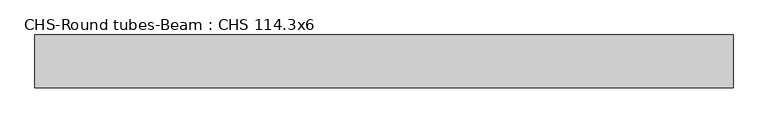
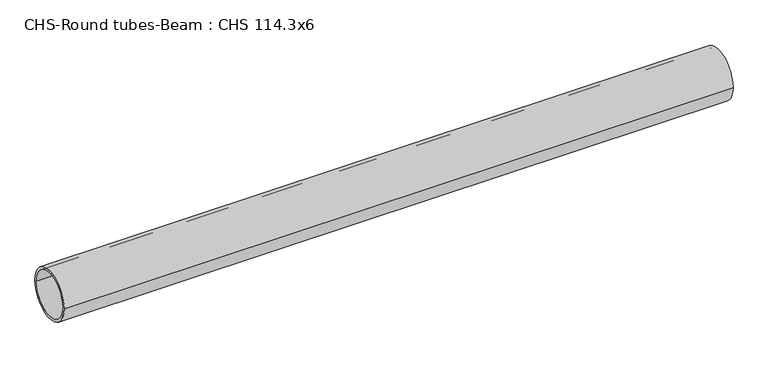
"""IFC4 building model written with IfcOpenShell, lengths in millimetres: beam geometry, CHS-Round tubes-Beam : CHS 114.3x6."""

from ifc_helpers import new_model, si_unit, point, frame, origin, origin_2d, place, context, project, spatial, circle_curve, trimmed, segment, composite_curve, outline, extrude, source, transform, mapped, element, save


def chs_round_tubes_beam_chs_114_3x6_30d630f2(model_context):
    return source(origin(), model_context, "Body", "SweptSolid", [
        extrude(outline(composite_curve([segment(trimmed(circle_curve(origin_2d(), 57.15), [point((57.15, 0.0))], [point((-57.15, 0.0))], False, "CARTESIAN"), True, "CONTINUOUS"), segment(trimmed(circle_curve(origin_2d(), 57.15), [point((-57.15, 0.0))], [point((57.15, 0.0))], False, "CARTESIAN"), True, "CONTINUOUS")], self_intersect=False), holes=[composite_curve([segment(trimmed(circle_curve(origin_2d(), 51.15), [point((51.15, 0.0))], [point((-51.15, 0.0))], True, "CARTESIAN"), True, "CONTINUOUS"), segment(trimmed(circle_curve(origin_2d(), 51.15), [point((-51.15, 0.0))], [point((51.15, 0.0))], True, "CARTESIAN"), True, "CONTINUOUS")], self_intersect=False)]), frame((-747.3816432, 0.0, 0.0), z_axis=(1.0, 0.0, 0.0), x_axis=(0.0, 1.0, 0.0)), (0.0, 0.0, 1.0), 1512.714147),
    ])


if __name__ == "__main__":
    model = new_model("IFC4")
    model_context = context("Model", 3, world=origin())
    ifc_project = project(units=[si_unit("LENGTHUNIT", "METRE", prefix="MILLI")], contexts=[model_context])
    site = spatial("IfcSite", under=ifc_project)
    building = spatial("IfcBuilding", under=site)
    placement = place(None, origin())
    chs_round_tubes_beam_chs_114_3x6_shape = chs_round_tubes_beam_chs_114_3x6_30d630f2(model_context)
    element("IfcBeam", 1, ObjectType="CHS-Round tubes-Beam : CHS 114.3x6", at=placement, inside=building, context=model_context, shape_type="MappedRepresentation", body=[
        mapped(chs_round_tubes_beam_chs_114_3x6_shape, transform((0.0, 0.0, 0.0), x_axis=(1.0, 0.0, 0.0), y_axis=(0.0, 1.0, 0.0), z_axis=(0.0, 0.0, 1.0))),
    ])
    save(model, "model.ifc")
